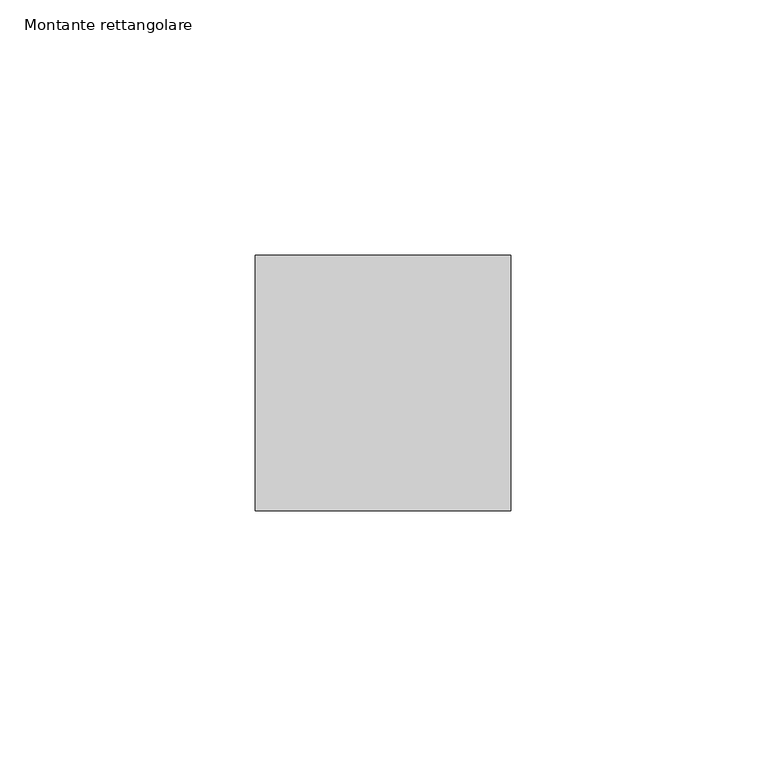
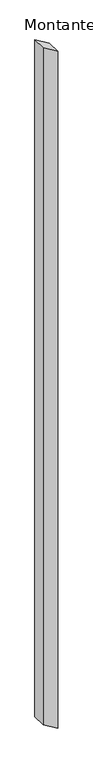
"""IFC4 building model written with IfcOpenShell, lengths in millimetres: member geometry, Montante rettangolare."""

import ifcopenshell
import ifcopenshell.guid

model = None  # the IFC model being written
_history = None  # IfcOwnerHistory: only IFC2X3 demands one
_inside = {}  # id of a spatial element -> (the spatial element, [elements in it])
_under = {}  # id of a project, library or spatial element -> (it, [spatial elements below it])
_declared = {}  # id of a project -> (the project, [libraries it declares])
_typed = {}  # id of a type object -> (the type object, [elements of that type])
_made_of = {}  # id of a material, layer set ... -> (it, [elements and type objects made of it])


def new_model(schema):
    """Start an empty IFC model of exactly this schema.

    Asked for "IFC4X3", IfcOpenShell would pick the latest addendum, in which some entities
    have other attributes; the version numbers below select the first issue.
    IFC2X3 requires an IfcOwnerHistory on every rooted entity: one is made here for all.
    """
    global model, _history
    if schema == "IFC4X3":
        model = ifcopenshell.file(schema_version=(4, 3, 0, 0))
    else:
        model = ifcopenshell.file(schema=schema)
    _inside.clear()
    _under.clear()
    _declared.clear()
    _typed.clear()
    _made_of.clear()
    _history = None
    if model.schema == "IFC2X3":
        org = make("IfcOrganization", Name="unknown")
        user = make(
            "IfcPersonAndOrganization",
            ThePerson=make("IfcPerson", FamilyName="unknown"),
            TheOrganization=org,
        )
        app = make(
            "IfcApplication",
            ApplicationDeveloper=org,
            Version="unknown",
            ApplicationFullName="unknown",
            ApplicationIdentifier="unknown",
        )
        _history = make(
            "IfcOwnerHistory",
            OwningUser=user,
            OwningApplication=app,
            ChangeAction="ADDED",
            CreationDate=0,
        )
    return model


def make(cls, **values):
    """One entity of the class cls with the attributes given. An attribute that is None is left unset."""
    return model.create_entity(
        cls, **{name: value for name, value in values.items() if value is not None}
    )


def rooted(cls, **values):
    """An entity with a GlobalId (a new one), such as an element, a storey or a relation."""
    return make(cls, GlobalId=ifcopenshell.guid.new(), OwnerHistory=_history, **values)


def si_unit(unit_type, name, prefix=None):
    """IfcSIUnit, for example si_unit("LENGTHUNIT", "METRE", prefix="MILLI")."""
    return make("IfcSIUnit", UnitType=unit_type, Prefix=prefix, Name=name)


def assignment(units):
    """IfcUnitAssignment: the units of a project."""
    return None if units is None else make("IfcUnitAssignment", Units=units)


def point(xyz):
    """IfcCartesianPoint."""
    return None if xyz is None else make("IfcCartesianPoint", Coordinates=xyz)


def direction(xyz):
    """IfcDirection."""
    return None if xyz is None else make("IfcDirection", DirectionRatios=xyz)


def frame(location, z_axis=None, x_axis=None):
    """IfcAxis2Placement3D, a coordinate frame: its origin and axes. An axis left out is left unset."""
    return make(
        "IfcAxis2Placement3D",
        Location=point(location),
        Axis=direction(z_axis),
        RefDirection=direction(x_axis),
    )


def origin():
    """The frame at (0, 0, 0) with its axes left unset."""
    return frame((0.0, 0.0, 0.0))


def place(relative_to, where):
    """IfcLocalPlacement: puts the frame where relative to a parent placement (None: the world)."""
    return make(
        "IfcLocalPlacement", PlacementRelTo=relative_to, RelativePlacement=where
    )


def context(
    kind, dimensions, precision=None, world=None, true_north=None, identifier=None
):
    """IfcGeometricRepresentationContext, for example the 3D "Model" context."""
    return make(
        "IfcGeometricRepresentationContext",
        ContextIdentifier=identifier,
        ContextType=kind,
        CoordinateSpaceDimension=dimensions,
        Precision=precision,
        WorldCoordinateSystem=world,
        TrueNorth=true_north,
    )


def project(units=None, contexts=None):
    """IfcProject with its units and contexts."""
    return rooted(
        "IfcProject",
        Name="project",
        RepresentationContexts=contexts,
        UnitsInContext=assignment(units),
    )


def spatial(cls, under=None, at=None, **own):
    """A site, building, storey or space (cls), placed at a placement, below another one or the project."""
    s = rooted(cls, ObjectPlacement=at, **own)
    if under is not None:
        _under.setdefault(under.id(), (under, []))[1].append(s)
    return s


def polyline(points):
    """IfcPolyline through the points."""
    return make("IfcPolyline", Points=[point(p) for p in points])


def outline(outer, holes=None, kind="AREA"):
    """IfcArbitraryClosedProfileDef: a profile drawn as a closed curve; with holes, ...WithVoids."""
    if holes is None:
        return make("IfcArbitraryClosedProfileDef", ProfileType=kind, OuterCurve=outer)
    return make(
        "IfcArbitraryProfileDefWithVoids",
        ProfileType=kind,
        OuterCurve=outer,
        InnerCurves=holes,
    )


def extrude(swept, where, along, depth):
    """IfcExtrudedAreaSolid: the profile swept, set in the frame where, extruded along a direction by depth."""
    return make(
        "IfcExtrudedAreaSolid",
        SweptArea=swept,
        Position=where,
        ExtrudedDirection=direction(along),
        Depth=depth,
    )


def shape(context_of_items, identifier, shape_type, items):
    """IfcShapeRepresentation: the items that make up one representation, for example the "Body"."""
    return make(
        "IfcShapeRepresentation",
        ContextOfItems=context_of_items,
        RepresentationIdentifier=identifier,
        RepresentationType=shape_type,
        Items=items,
    )


def source(mapping_origin, context_of_items, identifier, shape_type, items):
    """IfcRepresentationMap: a shape defined once, which mapped items show again and again."""
    return make(
        "IfcRepresentationMap",
        MappingOrigin=mapping_origin,
        MappedRepresentation=shape(context_of_items, identifier, shape_type, items),
    )


def transform(
    local_origin,
    x_axis=None,
    y_axis=None,
    z_axis=None,
    scale=None,
    scale2=None,
    scale3=None,
    uniform=True,
):
    """IfcCartesianTransformationOperator3D, or its non-uniform kind. x_axis, y_axis, z_axis: its Axis1, 2, 3."""
    if uniform:
        return make(
            "IfcCartesianTransformationOperator3D",
            Axis1=direction(x_axis),
            Axis2=direction(y_axis),
            LocalOrigin=point(local_origin),
            Scale=scale,
            Axis3=direction(z_axis),
        )
    return make(
        "IfcCartesianTransformationOperator3DnonUniform",
        Axis1=direction(x_axis),
        Axis2=direction(y_axis),
        LocalOrigin=point(local_origin),
        Scale=scale,
        Axis3=direction(z_axis),
        Scale2=scale2,
        Scale3=scale3,
    )


def mapped(mapping_source, mapping_target):
    """IfcMappedItem: shows the shape of a source again, moved by a transform."""
    return make(
        "IfcMappedItem", MappingSource=mapping_source, MappingTarget=mapping_target
    )


def made_of(thing, what):
    """Note that an element or type object is made of a material, layer set ...; save() writes the relation."""
    if what is not None:
        _made_of.setdefault(what.id(), (what, []))[1].append(thing)
    return thing


def element(
    cls,
    number,
    at=None,
    inside=None,
    cuts=None,
    type_object=None,
    material=None,
    context=None,
    identifier="Body",
    shape_type=None,
    held_by="IfcProductDefinitionShape",
    body=None,
    shapes=None,
    **own,
):
    """One element of the class cls, such as IfcWall. Its Tag is "e" and its number.

    at: its placement. inside: the storey or other place that contains it. cuts: it is an
    opening in that element (IfcRelVoidsElement). A single representation is given by context,
    identifier, shape_type and body (its items); several are given by shapes. held_by: the class
    of the entity that holds the representations. save() writes the other relations.
    """
    e = rooted(cls, Tag="e%d" % number, ObjectPlacement=at, **own)
    if body is not None:
        shapes = [shape(context, identifier, shape_type, body)]
    if shapes is not None:
        e.Representation = make(held_by, Representations=shapes)
    if inside is not None:
        _inside.setdefault(inside.id(), (inside, []))[1].append(e)
    if cuts is not None:
        rooted(
            "IfcRelVoidsElement", RelatingBuildingElement=cuts, RelatedOpeningElement=e
        )
    if type_object is not None:
        _typed.setdefault(type_object.id(), (type_object, []))[1].append(e)
    return made_of(e, material)


def aggregate(whole, parts):
    """IfcRelAggregates: a whole, such as a stair, and the parts it consists of."""
    return rooted("IfcRelAggregates", RelatingObject=whole, RelatedObjects=parts)


def save(model, path):
    """Write the relations noted so far, then the file.

    IfcRelAggregates (storeys below a building ...), IfcRelContainedInSpatialStructure (elements
    in a storey), IfcRelDefinesByType, IfcRelAssociatesMaterial and IfcRelDeclares: one each for
    every whole, place, type object, material and project.
    """
    for whole, parts in _under.values():
        aggregate(whole, parts)
    for where, things in _inside.values():
        rooted(
            "IfcRelContainedInSpatialStructure",
            RelatedElements=things,
            RelatingStructure=where,
        )
    for kind, things in _typed.values():
        rooted("IfcRelDefinesByType", RelatedObjects=things, RelatingType=kind)
    for what, things in _made_of.values():
        rooted("IfcRelAssociatesMaterial", RelatedObjects=things, RelatingMaterial=what)
    for by, libraries in _declared.values():
        rooted("IfcRelDeclares", RelatingContext=by, RelatedDefinitions=libraries)
    model.write(path)


def montante_rettangolare_81754f8f(model_context):
    return source(origin(), model_context, "Body", "SweptSolid", [
        extrude(outline(polyline([(-32.9648486, 25.0), (-3.1588666, -25.0), (-2489.3021974, -25.0), (-2519.1081794, 25.0), (-32.9648486, 25.0)])), frame((0.0, -25.0, 0.0), z_axis=(0.0, 1.0, 0.0), x_axis=(0.0, 0.0, 1.0)), (0.0, 0.0, 1.0), 50.0),
    ])


if __name__ == "__main__":
    model = new_model("IFC4")
    model_context = context("Model", 3, world=origin())
    ifc_project = project(units=[si_unit("LENGTHUNIT", "METRE", prefix="MILLI")], contexts=[model_context])
    site = spatial("IfcSite", under=ifc_project)
    building = spatial("IfcBuilding", under=site)
    placement = place(None, origin())
    montante_rettangolare_shape = montante_rettangolare_81754f8f(model_context)
    element("IfcMember", 1, ObjectType="Montante rettangolare", at=placement, inside=building, context=model_context, shape_type="MappedRepresentation", body=[
        mapped(montante_rettangolare_shape, transform((0.0, 0.0, 0.0), x_axis=(1.0, 0.0, 0.0), y_axis=(0.0, 1.0, 0.0), z_axis=(0.0, 0.0, 1.0))),
    ])
    save(model, "model.ifc")
